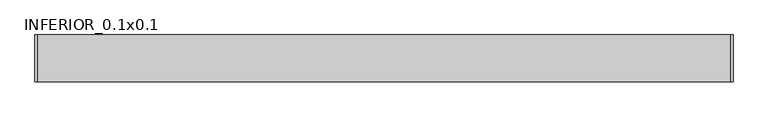
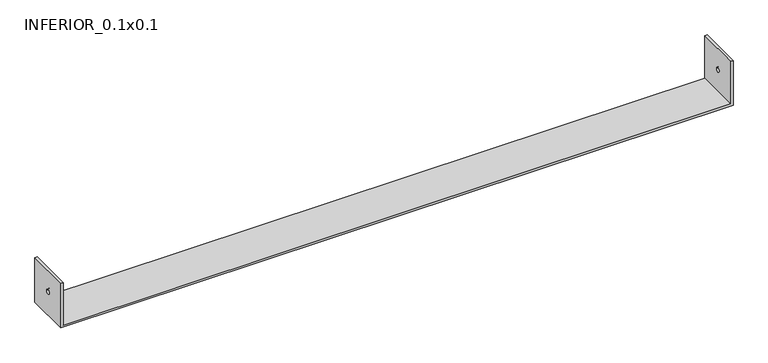
"""IFC4 building model written with IfcOpenShell, lengths in millimetres: proxy geometry, INFERIOR_0.1x0.1."""

from ifc_helpers import new_model, si_unit, frame, origin, place, context, project, spatial, polyline, circle_curve, source, transform, mapped, element, save
from ifc_brep_helpers import plane_surface, revolved_surface, advanced_brep


def inferior_0_1x0_1_c28d9d0f(model_context):
    return source(origin(), model_context, "Body", "AdvancedBrep", [
        advanced_brep(
        [(5.0, 100.0, 105.0), (0.0, 100.0, 105.0), (0.0, 0.0, 105.0), (5.0, 0.0, 105.0), (5.0, 100.0, 5.0), (1490.0, 100.0, 5.0), (1490.0, 100.0, 105.0), (1495.0, 100.0, 105.0), (1495.0, 100.0, 0.0), (0.0, 100.0, 0.0), (0.0, 0.0, 0.0), (0.0, 45.1299677, 55.0), (0.0, 55.1299677, 55.0), (1495.0, 0.0, 0.0), (1495.0, 0.0, 105.0), (1490.0, 0.0, 105.0), (1490.0, 0.0, 5.0), (5.0, 0.0, 5.0), (5.0, 55.1299677, 55.0), (5.0, 45.1299677, 55.0), (1495.0, 55.1299677, 55.0), (1495.0, 45.1299677, 55.0), (1490.0, 45.1299677, 55.0), (1490.0, 55.1299677, 55.0)],
        [
            (0, 1),
            (1, 2),
            (2, 3),
            (3, 0),
            (0, 4),
            (4, 5),
            (5, 6),
            (6, 7),
            (7, 8),
            (8, 9),
            (9, 1),
            (9, 10),
            (10, 2),
            (11, 12, circle_curve(frame((0.0, 50.1299677, 55.0), z_axis=(1.0, 0.0, 0.0), x_axis=(0.0, 1.0, 0.0)), 5.0)),
            (12, 11, circle_curve(frame((0.0, 50.1299677, 55.0), z_axis=(1.0, 0.0, 0.0), x_axis=(0.0, 1.0, 0.0)), 5.0)),
            (10, 13),
            (13, 14),
            (14, 15),
            (15, 16),
            (16, 17),
            (17, 3),
            (17, 4),
            (18, 19, circle_curve(frame((5.0, 50.1299677, 55.0), z_axis=(-1.0, 0.0, 0.0), x_axis=(0.0, 1.0, 0.0)), 5.0)),
            (19, 18, circle_curve(frame((5.0, 50.1299677, 55.0), z_axis=(-1.0, 0.0, 0.0), x_axis=(0.0, 1.0, 0.0)), 5.0)),
            (16, 5),
            (8, 13),
            (7, 14),
            (20, 21, circle_curve(frame((1495.0, 50.1299677, 55.0), z_axis=(-1.0, 0.0, 0.0), x_axis=(0.0, 1.0, 0.0)), 5.0)),
            (21, 20, circle_curve(frame((1495.0, 50.1299677, 55.0), z_axis=(-1.0, 0.0, 0.0), x_axis=(0.0, 1.0, 0.0)), 5.0)),
            (11, 19),
            (18, 12),
            (22, 21),
            (20, 23),
            (23, 22, circle_curve(frame((1490.0, 50.1299677, 55.0), z_axis=(-1.0, 0.0, 0.0), x_axis=(0.0, 1.0, 0.0)), 5.0)),
            (22, 23, circle_curve(frame((1490.0, 50.1299677, 55.0), z_axis=(-1.0, 0.0, 0.0), x_axis=(0.0, 1.0, 0.0)), 5.0)),
            (6, 15),
        ],
        [
            plane_surface(frame((0.0, 100.0, 105.0), z_axis=(0.0, 0.0, 1.0), x_axis=(-1.0, 0.0, 0.0))),
            plane_surface(frame((5.0, 100.0, 105.0), z_axis=(0.0, 1.0, 0.0), x_axis=(0.0, 0.0, -1.0))),
            plane_surface(frame((0.0, 100.0, 105.0), z_axis=(-1.0, 0.0, 0.0), x_axis=(0.0, 0.0, -1.0))),
            plane_surface(frame((0.0, 0.0, 105.0), z_axis=(0.0, -1.0, 0.0), x_axis=(0.0, 0.0, -1.0))),
            plane_surface(frame((5.0, 0.0, 105.0), z_axis=(1.0, 0.0, 0.0), x_axis=(0.0, 0.0, -1.0))),
            plane_surface(frame((0.0, 0.0, 5.0), z_axis=(0.0, 0.0, 1.0), x_axis=(0.0, -1.0, 0.0))),
            plane_surface(frame((0.0, 0.0, 0.0), z_axis=(0.0, 0.0, -1.0), x_axis=(0.0, 1.0, 0.0))),
            plane_surface(frame((1495.0, 0.0, 5.0), z_axis=(1.0, 0.0, 0.0), x_axis=(0.0, 0.0, -1.0))),
            revolved_surface(polyline([(5.0, 55.1299677, 55.0), (0.0, 55.1299677, 55.0)]), (0.0, 50.1299677, 55.0), (1.0, 0.0, 0.0)),
            revolved_surface(polyline([(1495.0, 55.1299677, 55.0), (1490.0, 55.1299677, 55.0)]), (0.0, 50.1299677, 55.0), (1.0, 0.0, 0.0)),
            plane_surface(frame((1490.0, 100.0, 105.0), z_axis=(0.0, 0.0, 1.0), x_axis=(0.0, -1.0, 0.0))),
            plane_surface(frame((1490.0, 100.0, 105.0), z_axis=(-1.0, 0.0, 0.0), x_axis=(0.0, 0.0, -1.0))),
        ],
        [
            (0, [[1, 2, 3, 4]]),
            (1, [[-1, 5, 6, 7, 8, 9, 10, 11]]),
            (2, [[-2, -11, 12, 13], [14, 15]]),
            (3, [[-3, -13, 16, 17, 18, 19, 20, 21]]),
            (4, [[-4, -21, 22, -5], [23, 24]]),
            (5, [[-22, -20, 25, -6]]),
            (6, [[26, -16, -12, -10]]),
            (7, [[-26, -9, 27, -17], [28, 29]]),
            (8, [[30, -23, 31, -14]]),
            (9, [[32, -28, 33, 34]]),
            (8, [[-30, -15, -31, -24]]),
            (9, [[-32, 35, -33, -29]]),
            (10, [[36, -18, -27, -8]]),
            (11, [[-36, -7, -25, -19], [-34, -35]]),
        ],
    ),
    ])


if __name__ == "__main__":
    model = new_model("IFC4")
    model_context = context("Model", 3, world=origin())
    ifc_project = project(units=[si_unit("LENGTHUNIT", "METRE", prefix="MILLI")], contexts=[model_context])
    site = spatial("IfcSite", under=ifc_project)
    building = spatial("IfcBuilding", under=site)
    placement = place(None, origin())
    inferior_0_1x0_1_shape = inferior_0_1x0_1_c28d9d0f(model_context)
    element("IfcBuildingElementProxy", 1, Name="INFERIOR_0.1x0.1", ObjectType="INFERIOR_0.1x0.1", at=placement, inside=building, context=model_context, shape_type="MappedRepresentation", body=[
        mapped(inferior_0_1x0_1_shape, transform((0.0, 0.0, 0.0), x_axis=(1.0, 0.0, 0.0), y_axis=(0.0, 1.0, 0.0), z_axis=(0.0, 0.0, 1.0))),
    ])
    save(model, "model.ifc")
